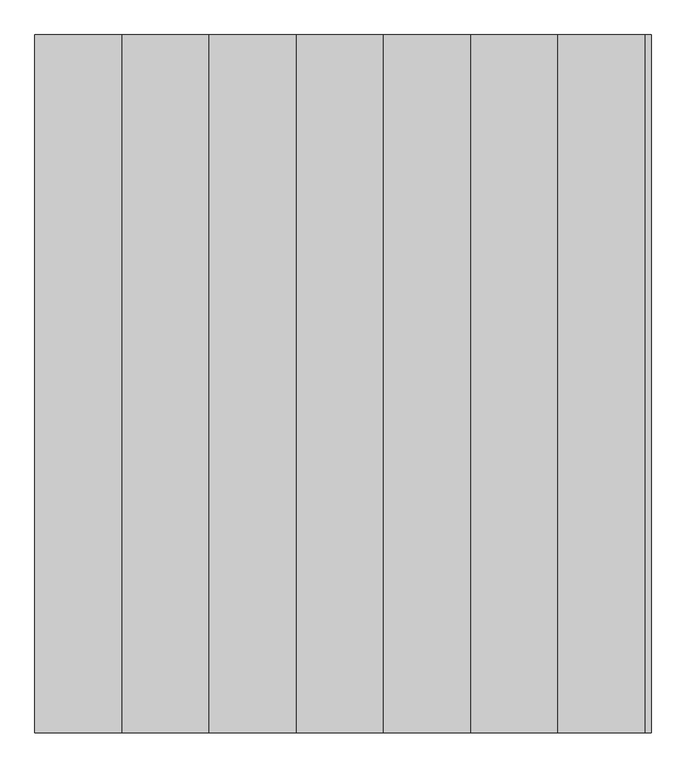
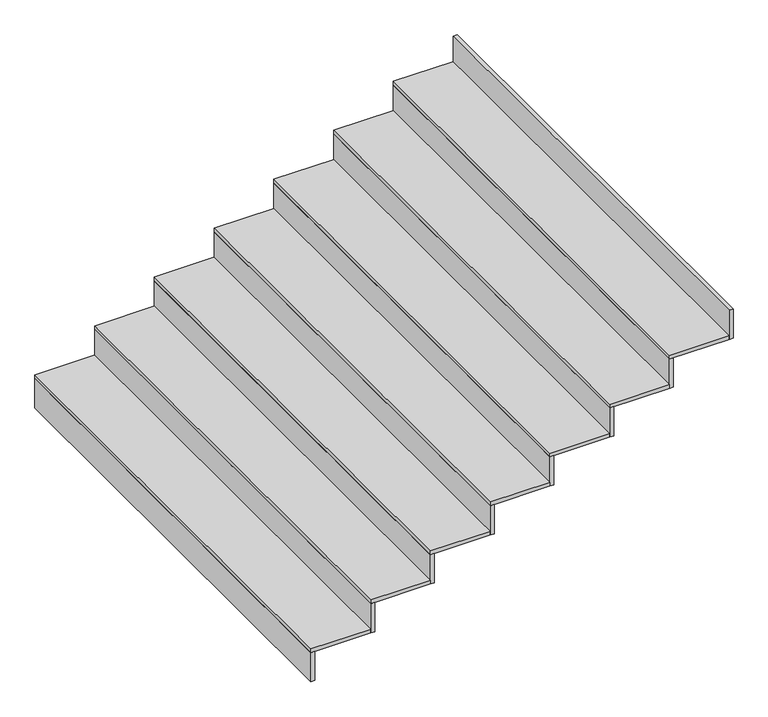
"""IFC4 building model written with IfcOpenShell, lengths in millimetres: stair flight geometry."""

from ifc_helpers import new_model, si_unit, frame, origin, place, context, project, spatial, polyline, outline, extrude, source, transform, mapped, element, save


def stair_flight_0d428998(model_context):
    return source(origin(), model_context, "Body", "SweptSolid", [
        extrude(outline(polyline([(138027.7671954, 85709.8253141), (138007.7671954, 85709.8253141), (138007.7671954, 88109.8253141), (138027.7671954, 88109.8253141), (138027.7671954, 85709.8253141)])), frame((0.0, 0.0, 2538.7145136), z_axis=(0.0, 0.0, 1.0), x_axis=(1.0, 0.0, 0.0)), (0.0, 0.0, 1.0), 154.8736167),
        extrude(outline(polyline([(138307.7671954, 88109.8253141), (138307.7671954, 85709.8253141), (138007.7671954, 85709.8253141), (138007.7671954, 88109.8253141), (138307.7671954, 88109.8253141)])), frame((0.0, 0.0, 2693.5881303), z_axis=(0.0, 0.0, 1.0), x_axis=(1.0, 0.0, 0.0)), (0.0, 0.0, 1.0), 20.0),
        extrude(outline(polyline([(138327.7671954, 85709.8253141), (138307.7671954, 85709.8253141), (138307.7671954, 88109.8253141), (138327.7671954, 88109.8253141), (138327.7671954, 85709.8253141)])), frame((0.0, 0.0, 2693.5881303), z_axis=(0.0, 0.0, 1.0), x_axis=(1.0, 0.0, 0.0)), (0.0, 0.0, 1.0), 154.8736167),
        extrude(outline(polyline([(138607.7671954, 88109.8253141), (138607.7671954, 85709.8253141), (138307.7671954, 85709.8253141), (138307.7671954, 88109.8253141), (138607.7671954, 88109.8253141)])), frame((0.0, 0.0, 2848.4617469), z_axis=(0.0, 0.0, 1.0), x_axis=(1.0, 0.0, 0.0)), (0.0, 0.0, 1.0), 20.0),
        extrude(outline(polyline([(138627.7671954, 85709.8253141), (138607.7671954, 85709.8253141), (138607.7671954, 88109.8253141), (138627.7671954, 88109.8253141), (138627.7671954, 85709.8253141)])), frame((0.0, 0.0, 2848.4617469), z_axis=(0.0, 0.0, 1.0), x_axis=(1.0, 0.0, 0.0)), (0.0, 0.0, 1.0), 154.8736167),
        extrude(outline(polyline([(138907.7671954, 88109.8253141), (138907.7671954, 85709.8253141), (138607.7671954, 85709.8253141), (138607.7671954, 88109.8253141), (138907.7671954, 88109.8253141)])), frame((0.0, 0.0, 3003.3353636), z_axis=(0.0, 0.0, 1.0), x_axis=(1.0, 0.0, 0.0)), (0.0, 0.0, 1.0), 20.0),
        extrude(outline(polyline([(138927.7671954, 85709.8253141), (138907.7671954, 85709.8253141), (138907.7671954, 88109.8253141), (138927.7671954, 88109.8253141), (138927.7671954, 85709.8253141)])), frame((0.0, 0.0, 3003.3353636), z_axis=(0.0, 0.0, 1.0), x_axis=(1.0, 0.0, 0.0)), (0.0, 0.0, 1.0), 154.8736167),
        extrude(outline(polyline([(139207.7671954, 88109.8253141), (139207.7671954, 85709.8253141), (138907.7671954, 85709.8253141), (138907.7671954, 88109.8253141), (139207.7671954, 88109.8253141)])), frame((0.0, 0.0, 3158.2089803), z_axis=(0.0, 0.0, 1.0), x_axis=(1.0, 0.0, 0.0)), (0.0, 0.0, 1.0), 20.0),
        extrude(outline(polyline([(139227.7671954, 85709.8253141), (139207.7671954, 85709.8253141), (139207.7671954, 88109.8253141), (139227.7671954, 88109.8253141), (139227.7671954, 85709.8253141)])), frame((0.0, 0.0, 3158.2089803), z_axis=(0.0, 0.0, 1.0), x_axis=(1.0, 0.0, 0.0)), (0.0, 0.0, 1.0), 154.8736167),
        extrude(outline(polyline([(139507.7671954, 88109.8253141), (139507.7671954, 85709.8253141), (139207.7671954, 85709.8253141), (139207.7671954, 88109.8253141), (139507.7671954, 88109.8253141)])), frame((0.0, 0.0, 3313.082597), z_axis=(0.0, 0.0, 1.0), x_axis=(1.0, 0.0, 0.0)), (0.0, 0.0, 1.0), 20.0),
        extrude(outline(polyline([(139527.7671954, 85709.8253141), (139507.7671954, 85709.8253141), (139507.7671954, 88109.8253141), (139527.7671954, 88109.8253141), (139527.7671954, 85709.8253141)])), frame((0.0, 0.0, 3313.082597), z_axis=(0.0, 0.0, 1.0), x_axis=(1.0, 0.0, 0.0)), (0.0, 0.0, 1.0), 154.8736167),
        extrude(outline(polyline([(139807.7671954, 88109.8253141), (139807.7671954, 85709.8253141), (139507.7671954, 85709.8253141), (139507.7671954, 88109.8253141), (139807.7671954, 88109.8253141)])), frame((0.0, 0.0, 3467.9562137), z_axis=(0.0, 0.0, 1.0), x_axis=(1.0, 0.0, 0.0)), (0.0, 0.0, 1.0), 20.0),
        extrude(outline(polyline([(139827.7671954, 85709.8253141), (139807.7671954, 85709.8253141), (139807.7671954, 88109.8253141), (139827.7671954, 88109.8253141), (139827.7671954, 85709.8253141)])), frame((0.0, 0.0, 3467.9562137), z_axis=(0.0, 0.0, 1.0), x_axis=(1.0, 0.0, 0.0)), (0.0, 0.0, 1.0), 154.8736167),
        extrude(outline(polyline([(140127.7671954, 85709.8253141), (140107.7671954, 85709.8253141), (140107.7671954, 88109.8253141), (140127.7671954, 88109.8253141), (140127.7671954, 85709.8253141)])), frame((0.0, 0.0, 3622.8298304), z_axis=(0.0, 0.0, 1.0), x_axis=(1.0, 0.0, 0.0)), (0.0, 0.0, 1.0), 154.8736167),
        extrude(outline(polyline([(140107.7671954, 88109.8253141), (140107.7671954, 85709.8253141), (139807.7671954, 85709.8253141), (139807.7671954, 88109.8253141), (140107.7671954, 88109.8253141)])), frame((0.0, 0.0, 3622.8298304), z_axis=(0.0, 0.0, 1.0), x_axis=(1.0, 0.0, 0.0)), (0.0, 0.0, 1.0), 20.0),
    ])


if __name__ == "__main__":
    model = new_model("IFC4")
    model_context = context("Model", 3, world=origin())
    ifc_project = project(units=[si_unit("LENGTHUNIT", "METRE", prefix="MILLI")], contexts=[model_context])
    site = spatial("IfcSite", under=ifc_project)
    building = spatial("IfcBuilding", under=site)
    placement = place(None, origin())
    stair_flight_shape = stair_flight_0d428998(model_context)
    element("IfcStairFlight", 1, at=placement, inside=building, context=model_context, shape_type="MappedRepresentation", body=[
        mapped(stair_flight_shape, transform((0.0, 0.0, 0.0), x_axis=(1.0, 0.0, 0.0), y_axis=(0.0, 1.0, 0.0), z_axis=(0.0, 0.0, 1.0))),
    ])
    save(model, "model.ifc")
